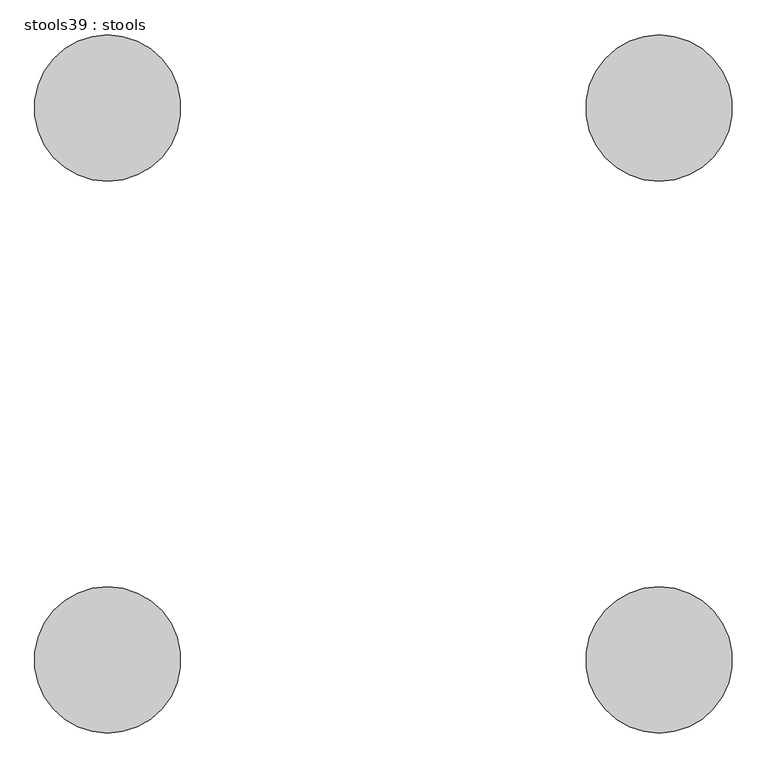
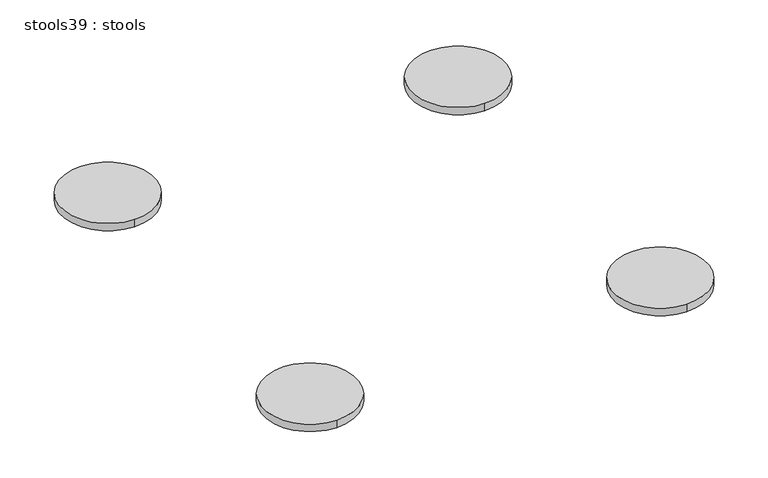
"""IFC4 building model written with IfcOpenShell, lengths in millimetres: furniture geometry, stools39 : stools."""

import ifcopenshell
import ifcopenshell.guid

model = None  # the IFC model being written
_history = None  # IfcOwnerHistory: only IFC2X3 demands one
_inside = {}  # id of a spatial element -> (the spatial element, [elements in it])
_under = {}  # id of a project, library or spatial element -> (it, [spatial elements below it])
_declared = {}  # id of a project -> (the project, [libraries it declares])
_typed = {}  # id of a type object -> (the type object, [elements of that type])
_made_of = {}  # id of a material, layer set ... -> (it, [elements and type objects made of it])


def new_model(schema):
    """Start an empty IFC model of exactly this schema.

    Asked for "IFC4X3", IfcOpenShell would pick the latest addendum, in which some entities
    have other attributes; the version numbers below select the first issue.
    IFC2X3 requires an IfcOwnerHistory on every rooted entity: one is made here for all.
    """
    global model, _history
    if schema == "IFC4X3":
        model = ifcopenshell.file(schema_version=(4, 3, 0, 0))
    else:
        model = ifcopenshell.file(schema=schema)
    _inside.clear()
    _under.clear()
    _declared.clear()
    _typed.clear()
    _made_of.clear()
    _history = None
    if model.schema == "IFC2X3":
        org = make("IfcOrganization", Name="unknown")
        user = make(
            "IfcPersonAndOrganization",
            ThePerson=make("IfcPerson", FamilyName="unknown"),
            TheOrganization=org,
        )
        app = make(
            "IfcApplication",
            ApplicationDeveloper=org,
            Version="unknown",
            ApplicationFullName="unknown",
            ApplicationIdentifier="unknown",
        )
        _history = make(
            "IfcOwnerHistory",
            OwningUser=user,
            OwningApplication=app,
            ChangeAction="ADDED",
            CreationDate=0,
        )
    return model


def make(cls, **values):
    """One entity of the class cls with the attributes given. An attribute that is None is left unset."""
    return model.create_entity(
        cls, **{name: value for name, value in values.items() if value is not None}
    )


def rooted(cls, **values):
    """An entity with a GlobalId (a new one), such as an element, a storey or a relation."""
    return make(cls, GlobalId=ifcopenshell.guid.new(), OwnerHistory=_history, **values)


def si_unit(unit_type, name, prefix=None):
    """IfcSIUnit, for example si_unit("LENGTHUNIT", "METRE", prefix="MILLI")."""
    return make("IfcSIUnit", UnitType=unit_type, Prefix=prefix, Name=name)


def assignment(units):
    """IfcUnitAssignment: the units of a project."""
    return None if units is None else make("IfcUnitAssignment", Units=units)


def point(xyz):
    """IfcCartesianPoint."""
    return None if xyz is None else make("IfcCartesianPoint", Coordinates=xyz)


def direction(xyz):
    """IfcDirection."""
    return None if xyz is None else make("IfcDirection", DirectionRatios=xyz)


def frame(location, z_axis=None, x_axis=None):
    """IfcAxis2Placement3D, a coordinate frame: its origin and axes. An axis left out is left unset."""
    return make(
        "IfcAxis2Placement3D",
        Location=point(location),
        Axis=direction(z_axis),
        RefDirection=direction(x_axis),
    )


def frame_2d(location, x_axis=None):
    """IfcAxis2Placement2D, a coordinate frame in the plane: its origin and x axis."""
    return make(
        "IfcAxis2Placement2D", Location=point(location), RefDirection=direction(x_axis)
    )


def origin():
    """The frame at (0, 0, 0) with its axes left unset."""
    return frame((0.0, 0.0, 0.0))


def place(relative_to, where):
    """IfcLocalPlacement: puts the frame where relative to a parent placement (None: the world)."""
    return make(
        "IfcLocalPlacement", PlacementRelTo=relative_to, RelativePlacement=where
    )


def context(
    kind, dimensions, precision=None, world=None, true_north=None, identifier=None
):
    """IfcGeometricRepresentationContext, for example the 3D "Model" context."""
    return make(
        "IfcGeometricRepresentationContext",
        ContextIdentifier=identifier,
        ContextType=kind,
        CoordinateSpaceDimension=dimensions,
        Precision=precision,
        WorldCoordinateSystem=world,
        TrueNorth=true_north,
    )


def project(units=None, contexts=None):
    """IfcProject with its units and contexts."""
    return rooted(
        "IfcProject",
        Name="project",
        RepresentationContexts=contexts,
        UnitsInContext=assignment(units),
    )


def spatial(cls, under=None, at=None, **own):
    """A site, building, storey or space (cls), placed at a placement, below another one or the project."""
    s = rooted(cls, ObjectPlacement=at, **own)
    if under is not None:
        _under.setdefault(under.id(), (under, []))[1].append(s)
    return s


def circle_curve(where, radius):
    """IfcCircle in the frame where."""
    return make("IfcCircle", Position=where, Radius=radius)


def trimmed(basis, trim1, trim2, sense, master):
    """IfcTrimmedCurve: the piece of a basis curve between two trims."""
    return make(
        "IfcTrimmedCurve",
        BasisCurve=basis,
        Trim1=trim1,
        Trim2=trim2,
        SenseAgreement=sense,
        MasterRepresentation=master,
    )


def segment(curve, same_sense, transition):
    """IfcCompositeCurveSegment."""
    return make(
        "IfcCompositeCurveSegment",
        Transition=transition,
        SameSense=same_sense,
        ParentCurve=curve,
    )


def composite_curve(segments, self_intersect=None):
    """IfcCompositeCurve: segments joined end to end."""
    return make("IfcCompositeCurve", Segments=segments, SelfIntersect=self_intersect)


def outline(outer, holes=None, kind="AREA"):
    """IfcArbitraryClosedProfileDef: a profile drawn as a closed curve; with holes, ...WithVoids."""
    if holes is None:
        return make("IfcArbitraryClosedProfileDef", ProfileType=kind, OuterCurve=outer)
    return make(
        "IfcArbitraryProfileDefWithVoids",
        ProfileType=kind,
        OuterCurve=outer,
        InnerCurves=holes,
    )


def extrude(swept, where, along, depth):
    """IfcExtrudedAreaSolid: the profile swept, set in the frame where, extruded along a direction by depth."""
    return make(
        "IfcExtrudedAreaSolid",
        SweptArea=swept,
        Position=where,
        ExtrudedDirection=direction(along),
        Depth=depth,
    )


def shape(context_of_items, identifier, shape_type, items):
    """IfcShapeRepresentation: the items that make up one representation, for example the "Body"."""
    return make(
        "IfcShapeRepresentation",
        ContextOfItems=context_of_items,
        RepresentationIdentifier=identifier,
        RepresentationType=shape_type,
        Items=items,
    )


def source(mapping_origin, context_of_items, identifier, shape_type, items):
    """IfcRepresentationMap: a shape defined once, which mapped items show again and again."""
    return make(
        "IfcRepresentationMap",
        MappingOrigin=mapping_origin,
        MappedRepresentation=shape(context_of_items, identifier, shape_type, items),
    )


def transform(
    local_origin,
    x_axis=None,
    y_axis=None,
    z_axis=None,
    scale=None,
    scale2=None,
    scale3=None,
    uniform=True,
):
    """IfcCartesianTransformationOperator3D, or its non-uniform kind. x_axis, y_axis, z_axis: its Axis1, 2, 3."""
    if uniform:
        return make(
            "IfcCartesianTransformationOperator3D",
            Axis1=direction(x_axis),
            Axis2=direction(y_axis),
            LocalOrigin=point(local_origin),
            Scale=scale,
            Axis3=direction(z_axis),
        )
    return make(
        "IfcCartesianTransformationOperator3DnonUniform",
        Axis1=direction(x_axis),
        Axis2=direction(y_axis),
        LocalOrigin=point(local_origin),
        Scale=scale,
        Axis3=direction(z_axis),
        Scale2=scale2,
        Scale3=scale3,
    )


def mapped(mapping_source, mapping_target):
    """IfcMappedItem: shows the shape of a source again, moved by a transform."""
    return make(
        "IfcMappedItem", MappingSource=mapping_source, MappingTarget=mapping_target
    )


def made_of(thing, what):
    """Note that an element or type object is made of a material, layer set ...; save() writes the relation."""
    if what is not None:
        _made_of.setdefault(what.id(), (what, []))[1].append(thing)
    return thing


def element(
    cls,
    number,
    at=None,
    inside=None,
    cuts=None,
    type_object=None,
    material=None,
    context=None,
    identifier="Body",
    shape_type=None,
    held_by="IfcProductDefinitionShape",
    body=None,
    shapes=None,
    **own,
):
    """One element of the class cls, such as IfcWall. Its Tag is "e" and its number.

    at: its placement. inside: the storey or other place that contains it. cuts: it is an
    opening in that element (IfcRelVoidsElement). A single representation is given by context,
    identifier, shape_type and body (its items); several are given by shapes. held_by: the class
    of the entity that holds the representations. save() writes the other relations.
    """
    e = rooted(cls, Tag="e%d" % number, ObjectPlacement=at, **own)
    if body is not None:
        shapes = [shape(context, identifier, shape_type, body)]
    if shapes is not None:
        e.Representation = make(held_by, Representations=shapes)
    if inside is not None:
        _inside.setdefault(inside.id(), (inside, []))[1].append(e)
    if cuts is not None:
        rooted(
            "IfcRelVoidsElement", RelatingBuildingElement=cuts, RelatedOpeningElement=e
        )
    if type_object is not None:
        _typed.setdefault(type_object.id(), (type_object, []))[1].append(e)
    return made_of(e, material)


def aggregate(whole, parts):
    """IfcRelAggregates: a whole, such as a stair, and the parts it consists of."""
    return rooted("IfcRelAggregates", RelatingObject=whole, RelatedObjects=parts)


def save(model, path):
    """Write the relations noted so far, then the file.

    IfcRelAggregates (storeys below a building ...), IfcRelContainedInSpatialStructure (elements
    in a storey), IfcRelDefinesByType, IfcRelAssociatesMaterial and IfcRelDeclares: one each for
    every whole, place, type object, material and project.
    """
    for whole, parts in _under.values():
        aggregate(whole, parts)
    for where, things in _inside.values():
        rooted(
            "IfcRelContainedInSpatialStructure",
            RelatedElements=things,
            RelatingStructure=where,
        )
    for kind, things in _typed.values():
        rooted("IfcRelDefinesByType", RelatedObjects=things, RelatingType=kind)
    for what, things in _made_of.values():
        rooted("IfcRelAssociatesMaterial", RelatedObjects=things, RelatingMaterial=what)
    for by, libraries in _declared.values():
        rooted("IfcRelDeclares", RelatingContext=by, RelatedDefinitions=libraries)
    model.write(path)


def stools39_stools_6f8ab28c(model_context):
    return source(origin(), model_context, "Body", "SweptSolid", [
        extrude(outline(composite_curve([segment(trimmed(circle_curve(frame_2d((-120396.1665324, -66300.2013397)), 152.4), [point((-120396.1665324, -66147.8013397))], [point((-120396.1665324, -66452.6013397))], False, "CARTESIAN"), True, "CONTINUOUS"), segment(trimmed(circle_curve(frame_2d((-120396.1665324, -66300.2013397)), 152.4), [point((-120396.1665324, -66452.6013397))], [point((-120396.1665324, -66147.8013397))], False, "CARTESIAN"), True, "CONTINUOUS")], self_intersect=False)), frame((0.0, 0.0, 457.2), z_axis=(0.0, 0.0, 1.0), x_axis=(1.0, 0.0, 0.0)), (0.0, 0.0, 1.0), 25.4),
        extrude(outline(composite_curve([segment(trimmed(circle_curve(frame_2d((-121545.6393159, -66300.2013397)), 152.4), [point((-121545.6393159, -66147.8013397))], [point((-121545.6393159, -66452.6013397))], False, "CARTESIAN"), True, "CONTINUOUS"), segment(trimmed(circle_curve(frame_2d((-121545.6393159, -66300.2013397)), 152.4), [point((-121545.6393159, -66452.6013397))], [point((-121545.6393159, -66147.8013397))], False, "CARTESIAN"), True, "CONTINUOUS")], self_intersect=False)), frame((0.0, 0.0, 457.2), z_axis=(0.0, 0.0, 1.0), x_axis=(1.0, 0.0, 0.0)), (0.0, 0.0, 1.0), 25.4),
        extrude(outline(composite_curve([segment(trimmed(circle_curve(frame_2d((-120396.1665324, -65150.7285562)), 152.4), [point((-120396.1665324, -65303.1285562))], [point((-120396.1665324, -64998.3285562))], False, "CARTESIAN"), True, "CONTINUOUS"), segment(trimmed(circle_curve(frame_2d((-120396.1665324, -65150.7285562)), 152.4), [point((-120396.1665324, -64998.3285562))], [point((-120396.1665324, -65303.1285562))], False, "CARTESIAN"), True, "CONTINUOUS")], self_intersect=False)), frame((0.0, 0.0, 457.2), z_axis=(0.0, 0.0, 1.0), x_axis=(1.0, 0.0, 0.0)), (0.0, 0.0, 1.0), 25.4),
        extrude(outline(composite_curve([segment(trimmed(circle_curve(frame_2d((-121545.6393159, -65150.7285562)), 152.4), [point((-121545.6393159, -65303.1285562))], [point((-121545.6393159, -64998.3285562))], False, "CARTESIAN"), True, "CONTINUOUS"), segment(trimmed(circle_curve(frame_2d((-121545.6393159, -65150.7285562)), 152.4), [point((-121545.6393159, -64998.3285562))], [point((-121545.6393159, -65303.1285562))], False, "CARTESIAN"), True, "CONTINUOUS")], self_intersect=False)), frame((0.0, 0.0, 457.2), z_axis=(0.0, 0.0, 1.0), x_axis=(1.0, 0.0, 0.0)), (0.0, 0.0, 1.0), 25.4),
    ])


if __name__ == "__main__":
    model = new_model("IFC4")
    model_context = context("Model", 3, world=origin())
    ifc_project = project(units=[si_unit("LENGTHUNIT", "METRE", prefix="MILLI")], contexts=[model_context])
    site = spatial("IfcSite", under=ifc_project)
    building = spatial("IfcBuilding", under=site)
    placement = place(None, origin())
    stools39_stools_shape = stools39_stools_6f8ab28c(model_context)
    element("IfcFurniture", 1, ObjectType="stools39 : stools", at=placement, inside=building, context=model_context, shape_type="MappedRepresentation", body=[
        mapped(stools39_stools_shape, transform((0.0, 0.0, 0.0), x_axis=(1.0, 0.0, 0.0), y_axis=(0.0, 1.0, 0.0), z_axis=(0.0, 0.0, 1.0))),
    ])
    save(model, "model.ifc")
